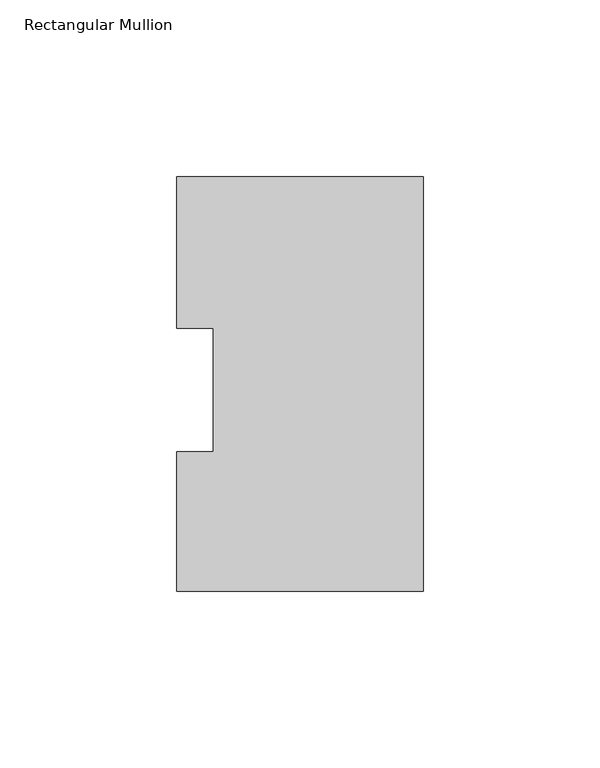
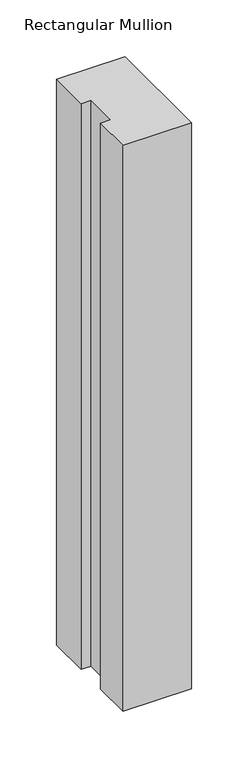
"""IFC4 building model written with IfcOpenShell, lengths in millimetres: member geometry, Rectangular Mullion."""

from ifc_helpers import new_model, si_unit, frame, origin, place, context, project, spatial, polyline, outline, extrude, source, transform, mapped, element, save


def rectangular_mullion_d325976e(model_context):
    return source(origin(), model_context, "Body", "SweptSolid", [
        extrude(outline(polyline([(0.0, 117.573425), (0.0, 0.225425), (-69.85, 0.225425), (-69.85, 39.646225), (-59.5376, 39.646225), (-59.5376, 74.596625), (-69.85, 74.596625), (-69.85, 117.573425), (0.0, 117.573425)])), frame((0.0, 0.0, -609.6), z_axis=(0.0, 0.0, 1.0), x_axis=(1.0, 0.0, 0.0)), (0.0, 0.0, 1.0), 609.6),
    ])


if __name__ == "__main__":
    model = new_model("IFC4")
    model_context = context("Model", 3, world=origin())
    ifc_project = project(units=[si_unit("LENGTHUNIT", "METRE", prefix="MILLI")], contexts=[model_context])
    site = spatial("IfcSite", under=ifc_project)
    building = spatial("IfcBuilding", under=site)
    placement = place(None, origin())
    rectangular_mullion_shape = rectangular_mullion_d325976e(model_context)
    element("IfcMember", 1, ObjectType="Rectangular Mullion", at=placement, inside=building, context=model_context, shape_type="MappedRepresentation", body=[
        mapped(rectangular_mullion_shape, transform((0.0, 0.0, 0.0), x_axis=(1.0, 0.0, 0.0), y_axis=(0.0, 1.0, 0.0), z_axis=(0.0, 0.0, 1.0))),
    ])
    save(model, "model.ifc")
